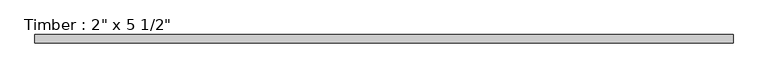
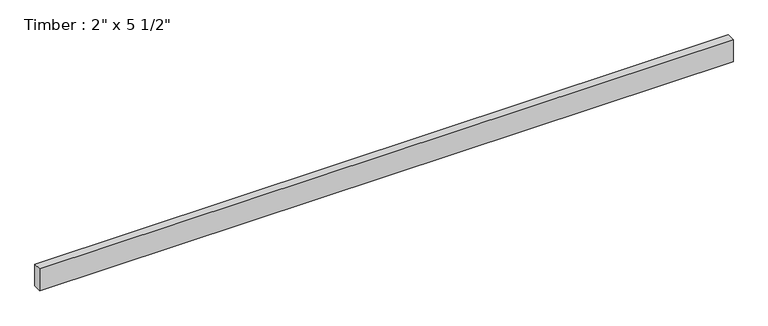
"""IFC4 building model written with IfcOpenShell, lengths in millimetres: beam geometry."""

from ifc_helpers import new_model, si_unit, frame, origin, place, context, project, spatial, polyline, outline, extrude, source, transform, mapped, element, save


def beam_32a7230c(model_context):
    return source(origin(), model_context, "Body", "SweptSolid", [
        extrude(outline(polyline([(2094.1619989, 25.4), (2094.1619989, -25.4), (-2094.8489968, -25.4), (-2094.8489968, 25.4), (2094.1619989, 25.4)])), frame((0.0, 0.0, -69.85), z_axis=(0.0, 0.0, 1.0), x_axis=(1.0, 0.0, 0.0)), (0.0, 0.0, 1.0), 139.7),
    ])


if __name__ == "__main__":
    model = new_model("IFC4")
    model_context = context("Model", 3, world=origin())
    ifc_project = project(units=[si_unit("LENGTHUNIT", "METRE", prefix="MILLI")], contexts=[model_context])
    site = spatial("IfcSite", under=ifc_project)
    building = spatial("IfcBuilding", under=site)
    placement = place(None, origin())
    beam_shape = beam_32a7230c(model_context)
    element("IfcBeam", 1, ObjectType="Timber : 2\" x 5 1/2\"", at=placement, inside=building, context=model_context, shape_type="MappedRepresentation", body=[
        mapped(beam_shape, transform((0.0, 0.0, 0.0), x_axis=(1.0, 0.0, 0.0), y_axis=(0.0, 1.0, 0.0), z_axis=(0.0, 0.0, 1.0))),
    ])
    save(model, "model.ifc")
